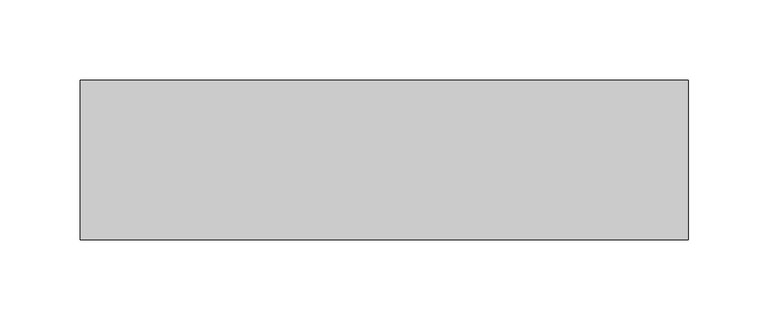
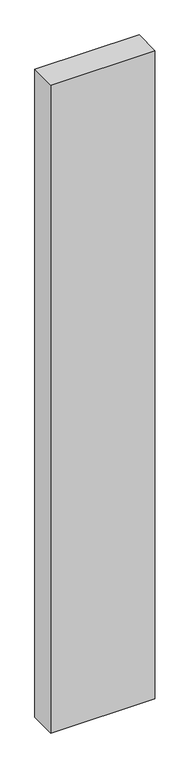
"""IFC4 building model written with IfcOpenShell, lengths in millimetres: proxy geometry."""

from ifc_helpers import new_model, si_unit, frame, origin, place, context, project, spatial, polyline, outline, extrude, source, transform, mapped, element, save


def generic_models_69df527d(model_context):
    return source(origin(), model_context, "Body", "SweptSolid", [
        extrude(outline(polyline([(380.0, 100.0), (380.0, 0.0), (0.0, 0.0), (0.0, 100.0), (380.0, 100.0)])), frame((0.0, 0.0, -2500.0), z_axis=(0.0, 0.0, 1.0), x_axis=(1.0, 0.0, 0.0)), (0.0, 0.0, 1.0), 2500.0),
    ])


if __name__ == "__main__":
    model = new_model("IFC4")
    model_context = context("Model", 3, world=origin())
    ifc_project = project(units=[si_unit("LENGTHUNIT", "METRE", prefix="MILLI")], contexts=[model_context])
    site = spatial("IfcSite", under=ifc_project)
    building = spatial("IfcBuilding", under=site)
    placement = place(None, origin())
    generic_models_shape = generic_models_69df527d(model_context)
    element("IfcBuildingElementProxy", 1, Name="Generic Models", at=placement, inside=building, context=model_context, shape_type="MappedRepresentation", body=[
        mapped(generic_models_shape, transform((0.0, 0.0, 0.0), x_axis=(1.0, 0.0, 0.0), y_axis=(0.0, 1.0, 0.0), z_axis=(0.0, 0.0, 1.0))),
    ])
    save(model, "model.ifc")
